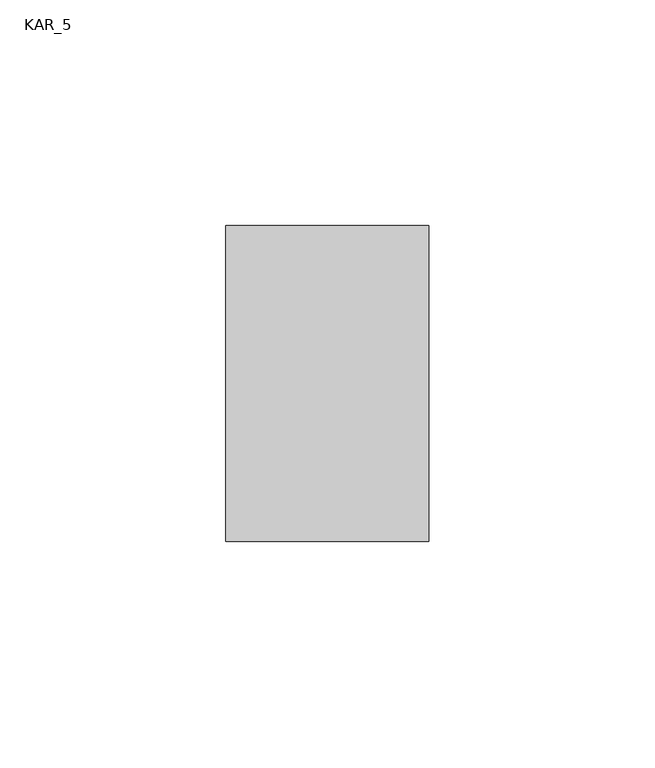
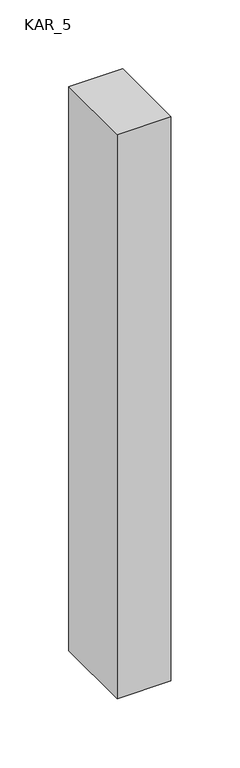
"""IFC4 building model written with IfcOpenShell, lengths in millimetres: proxy geometry, KAR_5."""

import ifcopenshell
import ifcopenshell.guid

model = None  # the IFC model being written
_history = None  # IfcOwnerHistory: only IFC2X3 demands one
_inside = {}  # id of a spatial element -> (the spatial element, [elements in it])
_under = {}  # id of a project, library or spatial element -> (it, [spatial elements below it])
_declared = {}  # id of a project -> (the project, [libraries it declares])
_typed = {}  # id of a type object -> (the type object, [elements of that type])
_made_of = {}  # id of a material, layer set ... -> (it, [elements and type objects made of it])


def new_model(schema):
    """Start an empty IFC model of exactly this schema.

    Asked for "IFC4X3", IfcOpenShell would pick the latest addendum, in which some entities
    have other attributes; the version numbers below select the first issue.
    IFC2X3 requires an IfcOwnerHistory on every rooted entity: one is made here for all.
    """
    global model, _history
    if schema == "IFC4X3":
        model = ifcopenshell.file(schema_version=(4, 3, 0, 0))
    else:
        model = ifcopenshell.file(schema=schema)
    _inside.clear()
    _under.clear()
    _declared.clear()
    _typed.clear()
    _made_of.clear()
    _history = None
    if model.schema == "IFC2X3":
        org = make("IfcOrganization", Name="unknown")
        user = make(
            "IfcPersonAndOrganization",
            ThePerson=make("IfcPerson", FamilyName="unknown"),
            TheOrganization=org,
        )
        app = make(
            "IfcApplication",
            ApplicationDeveloper=org,
            Version="unknown",
            ApplicationFullName="unknown",
            ApplicationIdentifier="unknown",
        )
        _history = make(
            "IfcOwnerHistory",
            OwningUser=user,
            OwningApplication=app,
            ChangeAction="ADDED",
            CreationDate=0,
        )
    return model


def make(cls, **values):
    """One entity of the class cls with the attributes given. An attribute that is None is left unset."""
    return model.create_entity(
        cls, **{name: value for name, value in values.items() if value is not None}
    )


def rooted(cls, **values):
    """An entity with a GlobalId (a new one), such as an element, a storey or a relation."""
    return make(cls, GlobalId=ifcopenshell.guid.new(), OwnerHistory=_history, **values)


def si_unit(unit_type, name, prefix=None):
    """IfcSIUnit, for example si_unit("LENGTHUNIT", "METRE", prefix="MILLI")."""
    return make("IfcSIUnit", UnitType=unit_type, Prefix=prefix, Name=name)


def assignment(units):
    """IfcUnitAssignment: the units of a project."""
    return None if units is None else make("IfcUnitAssignment", Units=units)


def point(xyz):
    """IfcCartesianPoint."""
    return None if xyz is None else make("IfcCartesianPoint", Coordinates=xyz)


def direction(xyz):
    """IfcDirection."""
    return None if xyz is None else make("IfcDirection", DirectionRatios=xyz)


def frame(location, z_axis=None, x_axis=None):
    """IfcAxis2Placement3D, a coordinate frame: its origin and axes. An axis left out is left unset."""
    return make(
        "IfcAxis2Placement3D",
        Location=point(location),
        Axis=direction(z_axis),
        RefDirection=direction(x_axis),
    )


def origin():
    """The frame at (0, 0, 0) with its axes left unset."""
    return frame((0.0, 0.0, 0.0))


def place(relative_to, where):
    """IfcLocalPlacement: puts the frame where relative to a parent placement (None: the world)."""
    return make(
        "IfcLocalPlacement", PlacementRelTo=relative_to, RelativePlacement=where
    )


def context(
    kind, dimensions, precision=None, world=None, true_north=None, identifier=None
):
    """IfcGeometricRepresentationContext, for example the 3D "Model" context."""
    return make(
        "IfcGeometricRepresentationContext",
        ContextIdentifier=identifier,
        ContextType=kind,
        CoordinateSpaceDimension=dimensions,
        Precision=precision,
        WorldCoordinateSystem=world,
        TrueNorth=true_north,
    )


def project(units=None, contexts=None):
    """IfcProject with its units and contexts."""
    return rooted(
        "IfcProject",
        Name="project",
        RepresentationContexts=contexts,
        UnitsInContext=assignment(units),
    )


def spatial(cls, under=None, at=None, **own):
    """A site, building, storey or space (cls), placed at a placement, below another one or the project."""
    s = rooted(cls, ObjectPlacement=at, **own)
    if under is not None:
        _under.setdefault(under.id(), (under, []))[1].append(s)
    return s


def polyline(points):
    """IfcPolyline through the points."""
    return make("IfcPolyline", Points=[point(p) for p in points])


def outline(outer, holes=None, kind="AREA"):
    """IfcArbitraryClosedProfileDef: a profile drawn as a closed curve; with holes, ...WithVoids."""
    if holes is None:
        return make("IfcArbitraryClosedProfileDef", ProfileType=kind, OuterCurve=outer)
    return make(
        "IfcArbitraryProfileDefWithVoids",
        ProfileType=kind,
        OuterCurve=outer,
        InnerCurves=holes,
    )


def extrude(swept, where, along, depth):
    """IfcExtrudedAreaSolid: the profile swept, set in the frame where, extruded along a direction by depth."""
    return make(
        "IfcExtrudedAreaSolid",
        SweptArea=swept,
        Position=where,
        ExtrudedDirection=direction(along),
        Depth=depth,
    )


def shape(context_of_items, identifier, shape_type, items):
    """IfcShapeRepresentation: the items that make up one representation, for example the "Body"."""
    return make(
        "IfcShapeRepresentation",
        ContextOfItems=context_of_items,
        RepresentationIdentifier=identifier,
        RepresentationType=shape_type,
        Items=items,
    )


def source(mapping_origin, context_of_items, identifier, shape_type, items):
    """IfcRepresentationMap: a shape defined once, which mapped items show again and again."""
    return make(
        "IfcRepresentationMap",
        MappingOrigin=mapping_origin,
        MappedRepresentation=shape(context_of_items, identifier, shape_type, items),
    )


def transform(
    local_origin,
    x_axis=None,
    y_axis=None,
    z_axis=None,
    scale=None,
    scale2=None,
    scale3=None,
    uniform=True,
):
    """IfcCartesianTransformationOperator3D, or its non-uniform kind. x_axis, y_axis, z_axis: its Axis1, 2, 3."""
    if uniform:
        return make(
            "IfcCartesianTransformationOperator3D",
            Axis1=direction(x_axis),
            Axis2=direction(y_axis),
            LocalOrigin=point(local_origin),
            Scale=scale,
            Axis3=direction(z_axis),
        )
    return make(
        "IfcCartesianTransformationOperator3DnonUniform",
        Axis1=direction(x_axis),
        Axis2=direction(y_axis),
        LocalOrigin=point(local_origin),
        Scale=scale,
        Axis3=direction(z_axis),
        Scale2=scale2,
        Scale3=scale3,
    )


def mapped(mapping_source, mapping_target):
    """IfcMappedItem: shows the shape of a source again, moved by a transform."""
    return make(
        "IfcMappedItem", MappingSource=mapping_source, MappingTarget=mapping_target
    )


def made_of(thing, what):
    """Note that an element or type object is made of a material, layer set ...; save() writes the relation."""
    if what is not None:
        _made_of.setdefault(what.id(), (what, []))[1].append(thing)
    return thing


def element(
    cls,
    number,
    at=None,
    inside=None,
    cuts=None,
    type_object=None,
    material=None,
    context=None,
    identifier="Body",
    shape_type=None,
    held_by="IfcProductDefinitionShape",
    body=None,
    shapes=None,
    **own,
):
    """One element of the class cls, such as IfcWall. Its Tag is "e" and its number.

    at: its placement. inside: the storey or other place that contains it. cuts: it is an
    opening in that element (IfcRelVoidsElement). A single representation is given by context,
    identifier, shape_type and body (its items); several are given by shapes. held_by: the class
    of the entity that holds the representations. save() writes the other relations.
    """
    e = rooted(cls, Tag="e%d" % number, ObjectPlacement=at, **own)
    if body is not None:
        shapes = [shape(context, identifier, shape_type, body)]
    if shapes is not None:
        e.Representation = make(held_by, Representations=shapes)
    if inside is not None:
        _inside.setdefault(inside.id(), (inside, []))[1].append(e)
    if cuts is not None:
        rooted(
            "IfcRelVoidsElement", RelatingBuildingElement=cuts, RelatedOpeningElement=e
        )
    if type_object is not None:
        _typed.setdefault(type_object.id(), (type_object, []))[1].append(e)
    return made_of(e, material)


def aggregate(whole, parts):
    """IfcRelAggregates: a whole, such as a stair, and the parts it consists of."""
    return rooted("IfcRelAggregates", RelatingObject=whole, RelatedObjects=parts)


def save(model, path):
    """Write the relations noted so far, then the file.

    IfcRelAggregates (storeys below a building ...), IfcRelContainedInSpatialStructure (elements
    in a storey), IfcRelDefinesByType, IfcRelAssociatesMaterial and IfcRelDeclares: one each for
    every whole, place, type object, material and project.
    """
    for whole, parts in _under.values():
        aggregate(whole, parts)
    for where, things in _inside.values():
        rooted(
            "IfcRelContainedInSpatialStructure",
            RelatedElements=things,
            RelatingStructure=where,
        )
    for kind, things in _typed.values():
        rooted("IfcRelDefinesByType", RelatedObjects=things, RelatingType=kind)
    for what, things in _made_of.values():
        rooted("IfcRelAssociatesMaterial", RelatedObjects=things, RelatingMaterial=what)
    for by, libraries in _declared.values():
        rooted("IfcRelDeclares", RelatingContext=by, RelatedDefinitions=libraries)
    model.write(path)


def kar_5_f949a9a6(model_context):
    return source(origin(), model_context, "Body", "SweptSolid", [
        extrude(outline(polyline([(45.0, 70.0), (45.0, 0.0), (0.0, 0.0), (0.0, 70.0), (45.0, 70.0)])), frame((0.0, 0.0, 1800.0), z_axis=(0.0, 0.0, 1.0), x_axis=(1.0, 0.0, 0.0)), (0.0, 0.0, 1.0), 500.0),
    ])


if __name__ == "__main__":
    model = new_model("IFC4")
    model_context = context("Model", 3, world=origin())
    ifc_project = project(units=[si_unit("LENGTHUNIT", "METRE", prefix="MILLI")], contexts=[model_context])
    site = spatial("IfcSite", under=ifc_project)
    building = spatial("IfcBuilding", under=site)
    placement = place(None, origin())
    kar_5_shape = kar_5_f949a9a6(model_context)
    element("IfcBuildingElementProxy", 1, Name="KAR_5", ObjectType="KAR_5", at=placement, inside=building, context=model_context, shape_type="MappedRepresentation", body=[
        mapped(kar_5_shape, transform((0.0, 0.0, 0.0), x_axis=(1.0, 0.0, 0.0), y_axis=(0.0, 1.0, 0.0), z_axis=(0.0, 0.0, 1.0))),
    ])
    save(model, "model.ifc")
